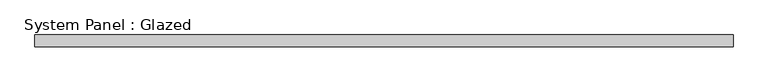
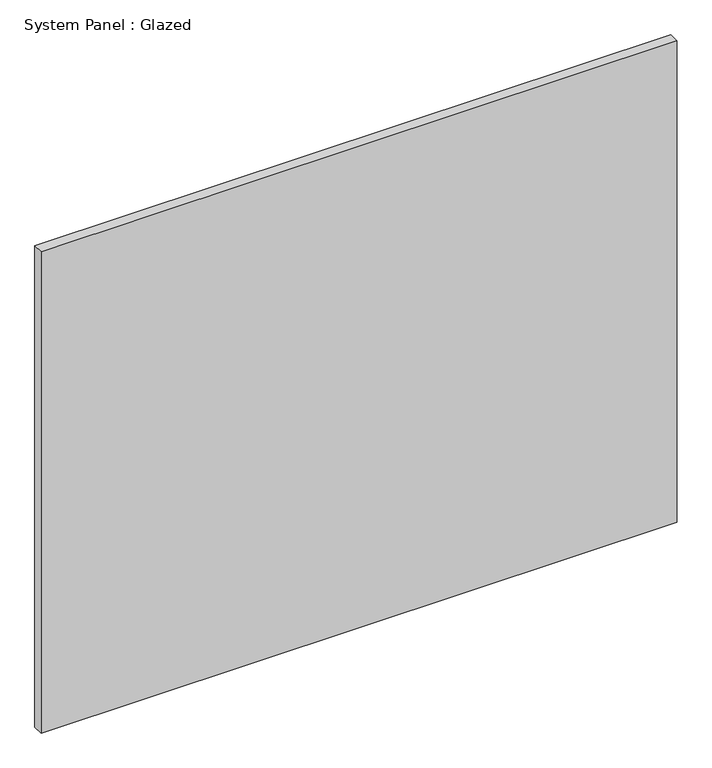
"""IFC4 building model written with IfcOpenShell, lengths in millimetres: plate geometry, System Panel : Glazed."""

import ifcopenshell
import ifcopenshell.guid

model = None  # the IFC model being written
_history = None  # IfcOwnerHistory: only IFC2X3 demands one
_inside = {}  # id of a spatial element -> (the spatial element, [elements in it])
_under = {}  # id of a project, library or spatial element -> (it, [spatial elements below it])
_declared = {}  # id of a project -> (the project, [libraries it declares])
_typed = {}  # id of a type object -> (the type object, [elements of that type])
_made_of = {}  # id of a material, layer set ... -> (it, [elements and type objects made of it])


def new_model(schema):
    """Start an empty IFC model of exactly this schema.

    Asked for "IFC4X3", IfcOpenShell would pick the latest addendum, in which some entities
    have other attributes; the version numbers below select the first issue.
    IFC2X3 requires an IfcOwnerHistory on every rooted entity: one is made here for all.
    """
    global model, _history
    if schema == "IFC4X3":
        model = ifcopenshell.file(schema_version=(4, 3, 0, 0))
    else:
        model = ifcopenshell.file(schema=schema)
    _inside.clear()
    _under.clear()
    _declared.clear()
    _typed.clear()
    _made_of.clear()
    _history = None
    if model.schema == "IFC2X3":
        org = make("IfcOrganization", Name="unknown")
        user = make(
            "IfcPersonAndOrganization",
            ThePerson=make("IfcPerson", FamilyName="unknown"),
            TheOrganization=org,
        )
        app = make(
            "IfcApplication",
            ApplicationDeveloper=org,
            Version="unknown",
            ApplicationFullName="unknown",
            ApplicationIdentifier="unknown",
        )
        _history = make(
            "IfcOwnerHistory",
            OwningUser=user,
            OwningApplication=app,
            ChangeAction="ADDED",
            CreationDate=0,
        )
    return model


def make(cls, **values):
    """One entity of the class cls with the attributes given. An attribute that is None is left unset."""
    return model.create_entity(
        cls, **{name: value for name, value in values.items() if value is not None}
    )


def rooted(cls, **values):
    """An entity with a GlobalId (a new one), such as an element, a storey or a relation."""
    return make(cls, GlobalId=ifcopenshell.guid.new(), OwnerHistory=_history, **values)


def si_unit(unit_type, name, prefix=None):
    """IfcSIUnit, for example si_unit("LENGTHUNIT", "METRE", prefix="MILLI")."""
    return make("IfcSIUnit", UnitType=unit_type, Prefix=prefix, Name=name)


def assignment(units):
    """IfcUnitAssignment: the units of a project."""
    return None if units is None else make("IfcUnitAssignment", Units=units)


def point(xyz):
    """IfcCartesianPoint."""
    return None if xyz is None else make("IfcCartesianPoint", Coordinates=xyz)


def direction(xyz):
    """IfcDirection."""
    return None if xyz is None else make("IfcDirection", DirectionRatios=xyz)


def frame(location, z_axis=None, x_axis=None):
    """IfcAxis2Placement3D, a coordinate frame: its origin and axes. An axis left out is left unset."""
    return make(
        "IfcAxis2Placement3D",
        Location=point(location),
        Axis=direction(z_axis),
        RefDirection=direction(x_axis),
    )


def origin():
    """The frame at (0, 0, 0) with its axes left unset."""
    return frame((0.0, 0.0, 0.0))


def origin_with_axes():
    """The frame at (0, 0, 0) with the z axis (0, 0, 1) and the x axis (1, 0, 0) written out."""
    return frame((0.0, 0.0, 0.0), z_axis=(0.0, 0.0, 1.0), x_axis=(1.0, 0.0, 0.0))


def place(relative_to, where):
    """IfcLocalPlacement: puts the frame where relative to a parent placement (None: the world)."""
    return make(
        "IfcLocalPlacement", PlacementRelTo=relative_to, RelativePlacement=where
    )


def context(
    kind, dimensions, precision=None, world=None, true_north=None, identifier=None
):
    """IfcGeometricRepresentationContext, for example the 3D "Model" context."""
    return make(
        "IfcGeometricRepresentationContext",
        ContextIdentifier=identifier,
        ContextType=kind,
        CoordinateSpaceDimension=dimensions,
        Precision=precision,
        WorldCoordinateSystem=world,
        TrueNorth=true_north,
    )


def project(units=None, contexts=None):
    """IfcProject with its units and contexts."""
    return rooted(
        "IfcProject",
        Name="project",
        RepresentationContexts=contexts,
        UnitsInContext=assignment(units),
    )


def spatial(cls, under=None, at=None, **own):
    """A site, building, storey or space (cls), placed at a placement, below another one or the project."""
    s = rooted(cls, ObjectPlacement=at, **own)
    if under is not None:
        _under.setdefault(under.id(), (under, []))[1].append(s)
    return s


def polyline(points):
    """IfcPolyline through the points."""
    return make("IfcPolyline", Points=[point(p) for p in points])


def outline(outer, holes=None, kind="AREA"):
    """IfcArbitraryClosedProfileDef: a profile drawn as a closed curve; with holes, ...WithVoids."""
    if holes is None:
        return make("IfcArbitraryClosedProfileDef", ProfileType=kind, OuterCurve=outer)
    return make(
        "IfcArbitraryProfileDefWithVoids",
        ProfileType=kind,
        OuterCurve=outer,
        InnerCurves=holes,
    )


def extrude(swept, where, along, depth):
    """IfcExtrudedAreaSolid: the profile swept, set in the frame where, extruded along a direction by depth."""
    return make(
        "IfcExtrudedAreaSolid",
        SweptArea=swept,
        Position=where,
        ExtrudedDirection=direction(along),
        Depth=depth,
    )


def shape(context_of_items, identifier, shape_type, items):
    """IfcShapeRepresentation: the items that make up one representation, for example the "Body"."""
    return make(
        "IfcShapeRepresentation",
        ContextOfItems=context_of_items,
        RepresentationIdentifier=identifier,
        RepresentationType=shape_type,
        Items=items,
    )


def source(mapping_origin, context_of_items, identifier, shape_type, items):
    """IfcRepresentationMap: a shape defined once, which mapped items show again and again."""
    return make(
        "IfcRepresentationMap",
        MappingOrigin=mapping_origin,
        MappedRepresentation=shape(context_of_items, identifier, shape_type, items),
    )


def transform(
    local_origin,
    x_axis=None,
    y_axis=None,
    z_axis=None,
    scale=None,
    scale2=None,
    scale3=None,
    uniform=True,
):
    """IfcCartesianTransformationOperator3D, or its non-uniform kind. x_axis, y_axis, z_axis: its Axis1, 2, 3."""
    if uniform:
        return make(
            "IfcCartesianTransformationOperator3D",
            Axis1=direction(x_axis),
            Axis2=direction(y_axis),
            LocalOrigin=point(local_origin),
            Scale=scale,
            Axis3=direction(z_axis),
        )
    return make(
        "IfcCartesianTransformationOperator3DnonUniform",
        Axis1=direction(x_axis),
        Axis2=direction(y_axis),
        LocalOrigin=point(local_origin),
        Scale=scale,
        Axis3=direction(z_axis),
        Scale2=scale2,
        Scale3=scale3,
    )


def mapped(mapping_source, mapping_target):
    """IfcMappedItem: shows the shape of a source again, moved by a transform."""
    return make(
        "IfcMappedItem", MappingSource=mapping_source, MappingTarget=mapping_target
    )


def made_of(thing, what):
    """Note that an element or type object is made of a material, layer set ...; save() writes the relation."""
    if what is not None:
        _made_of.setdefault(what.id(), (what, []))[1].append(thing)
    return thing


def element(
    cls,
    number,
    at=None,
    inside=None,
    cuts=None,
    type_object=None,
    material=None,
    context=None,
    identifier="Body",
    shape_type=None,
    held_by="IfcProductDefinitionShape",
    body=None,
    shapes=None,
    **own,
):
    """One element of the class cls, such as IfcWall. Its Tag is "e" and its number.

    at: its placement. inside: the storey or other place that contains it. cuts: it is an
    opening in that element (IfcRelVoidsElement). A single representation is given by context,
    identifier, shape_type and body (its items); several are given by shapes. held_by: the class
    of the entity that holds the representations. save() writes the other relations.
    """
    e = rooted(cls, Tag="e%d" % number, ObjectPlacement=at, **own)
    if body is not None:
        shapes = [shape(context, identifier, shape_type, body)]
    if shapes is not None:
        e.Representation = make(held_by, Representations=shapes)
    if inside is not None:
        _inside.setdefault(inside.id(), (inside, []))[1].append(e)
    if cuts is not None:
        rooted(
            "IfcRelVoidsElement", RelatingBuildingElement=cuts, RelatedOpeningElement=e
        )
    if type_object is not None:
        _typed.setdefault(type_object.id(), (type_object, []))[1].append(e)
    return made_of(e, material)


def aggregate(whole, parts):
    """IfcRelAggregates: a whole, such as a stair, and the parts it consists of."""
    return rooted("IfcRelAggregates", RelatingObject=whole, RelatedObjects=parts)


def save(model, path):
    """Write the relations noted so far, then the file.

    IfcRelAggregates (storeys below a building ...), IfcRelContainedInSpatialStructure (elements
    in a storey), IfcRelDefinesByType, IfcRelAssociatesMaterial and IfcRelDeclares: one each for
    every whole, place, type object, material and project.
    """
    for whole, parts in _under.values():
        aggregate(whole, parts)
    for where, things in _inside.values():
        rooted(
            "IfcRelContainedInSpatialStructure",
            RelatedElements=things,
            RelatingStructure=where,
        )
    for kind, things in _typed.values():
        rooted("IfcRelDefinesByType", RelatedObjects=things, RelatingType=kind)
    for what, things in _made_of.values():
        rooted("IfcRelAssociatesMaterial", RelatedObjects=things, RelatingMaterial=what)
    for by, libraries in _declared.values():
        rooted("IfcRelDeclares", RelatingContext=by, RelatedDefinitions=libraries)
    model.write(path)


def system_panel_glazed_14200f5a(model_context):
    return source(origin(), model_context, "Body", "SweptSolid", [
        extrude(outline(polyline([(762.0, 19.05), (-762.0, 19.05), (-762.0, 44.45), (762.0, 44.45), (762.0, 19.05)])), origin_with_axes(), (0.0, 0.0, 1.0), 1219.2),
    ])


if __name__ == "__main__":
    model = new_model("IFC4")
    model_context = context("Model", 3, world=origin())
    ifc_project = project(units=[si_unit("LENGTHUNIT", "METRE", prefix="MILLI")], contexts=[model_context])
    site = spatial("IfcSite", under=ifc_project)
    building = spatial("IfcBuilding", under=site)
    placement = place(None, origin())
    system_panel_glazed_shape = system_panel_glazed_14200f5a(model_context)
    element("IfcPlate", 1, ObjectType="System Panel : Glazed", at=placement, inside=building, context=model_context, shape_type="MappedRepresentation", body=[
        mapped(system_panel_glazed_shape, transform((0.0, 0.0, 0.0), x_axis=(1.0, 0.0, 0.0), y_axis=(0.0, 1.0, 0.0), z_axis=(0.0, 0.0, 1.0))),
    ])
    save(model, "model.ifc")
